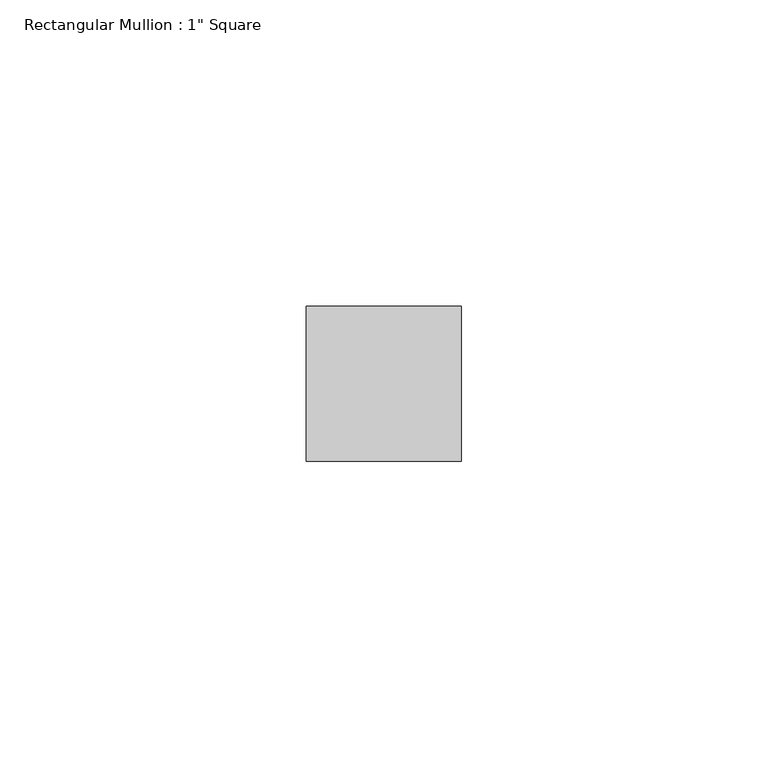
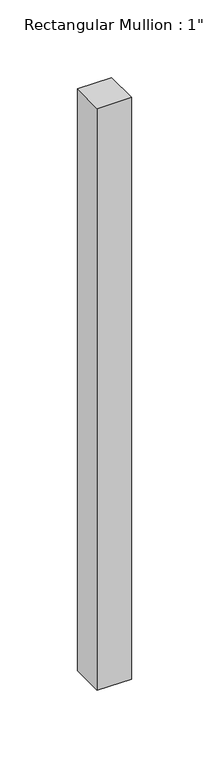
"""IFC4 building model written with IfcOpenShell, lengths in millimetres: member geometry."""

from ifc_helpers import new_model, si_unit, frame, origin, place, context, project, spatial, polyline, outline, extrude, source, transform, mapped, element, save


def member_3d4b608b(model_context):
    return source(origin(), model_context, "Body", "SweptSolid", [
        extrude(outline(polyline([(12.7, 12.7), (12.7, -12.7), (-12.7, -12.7), (-12.7, 12.7), (12.7, 12.7)])), frame((0.0, 0.0, -457.2), z_axis=(0.0, 0.0, 1.0), x_axis=(1.0, 0.0, 0.0)), (0.0, 0.0, 1.0), 457.2),
    ])


if __name__ == "__main__":
    model = new_model("IFC4")
    model_context = context("Model", 3, world=origin())
    ifc_project = project(units=[si_unit("LENGTHUNIT", "METRE", prefix="MILLI")], contexts=[model_context])
    site = spatial("IfcSite", under=ifc_project)
    building = spatial("IfcBuilding", under=site)
    placement = place(None, origin())
    member_shape = member_3d4b608b(model_context)
    element("IfcMember", 1, ObjectType="Rectangular Mullion : 1\" Square", at=placement, inside=building, context=model_context, shape_type="MappedRepresentation", body=[
        mapped(member_shape, transform((0.0, 0.0, 0.0), x_axis=(1.0, 0.0, 0.0), y_axis=(0.0, 1.0, 0.0), z_axis=(0.0, 0.0, 1.0))),
    ])
    save(model, "model.ifc")
